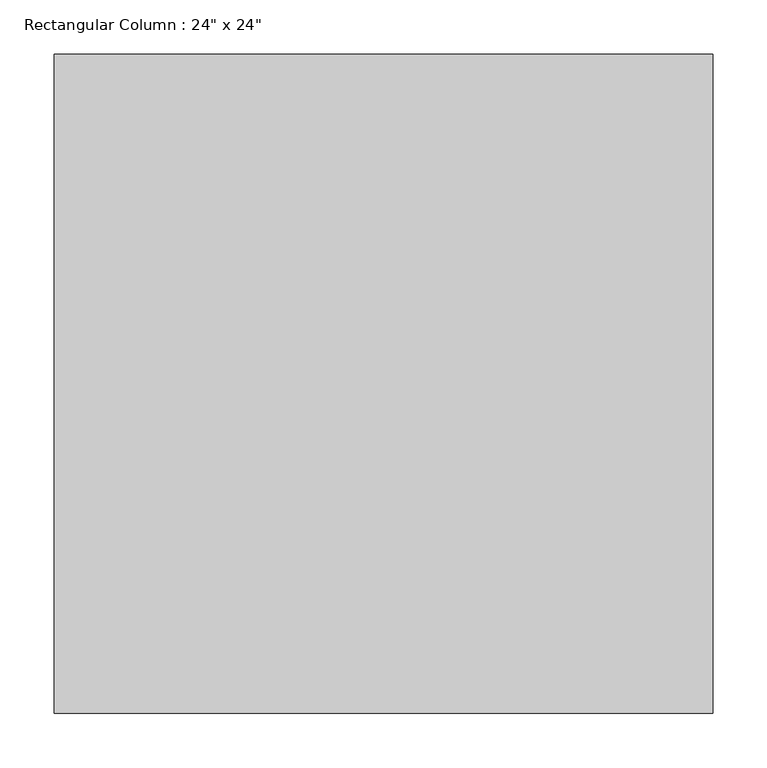
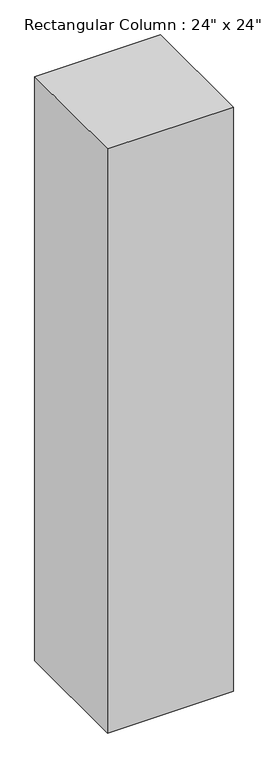
"""IFC4 building model written with IfcOpenShell, lengths in millimetres: column geometry."""

from ifc_helpers import new_model, si_unit, frame, origin, place, context, project, spatial, polyline, outline, extrude, source, transform, mapped, element, save


def column_ffee7f94(model_context):
    return source(origin(), model_context, "Body", "SweptSolid", [
        extrude(outline(polyline([(304.8, 304.8), (304.8, -304.8), (-304.8, -304.8), (-304.8, 304.8), (304.8, 304.8)])), frame((0.0, 0.0, 3295.65), z_axis=(0.0, 0.0, 1.0), x_axis=(1.0, 0.0, 0.0)), (0.0, 0.0, 1.0), 2990.85),
    ])


if __name__ == "__main__":
    model = new_model("IFC4")
    model_context = context("Model", 3, world=origin())
    ifc_project = project(units=[si_unit("LENGTHUNIT", "METRE", prefix="MILLI")], contexts=[model_context])
    site = spatial("IfcSite", under=ifc_project)
    building = spatial("IfcBuilding", under=site)
    placement = place(None, origin())
    column_shape = column_ffee7f94(model_context)
    element("IfcColumn", 1, ObjectType="Rectangular Column : 24\" x 24\"", at=placement, inside=building, context=model_context, shape_type="MappedRepresentation", body=[
        mapped(column_shape, transform((0.0, 0.0, 0.0), x_axis=(1.0, 0.0, 0.0), y_axis=(0.0, 1.0, 0.0), z_axis=(0.0, 0.0, 1.0))),
    ])
    save(model, "model.ifc")
